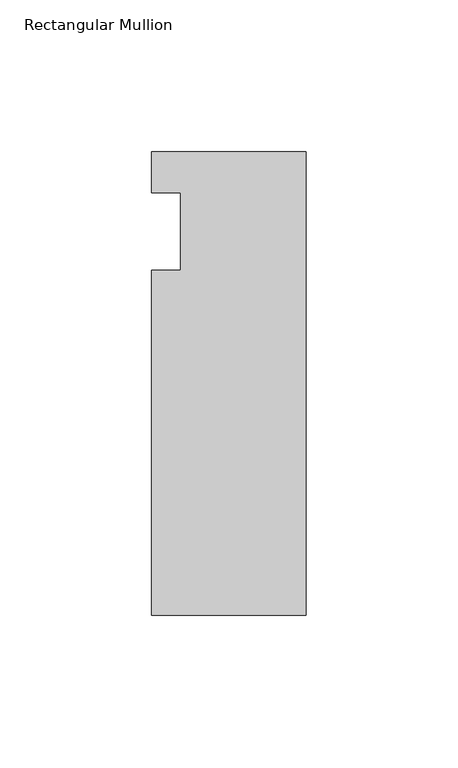
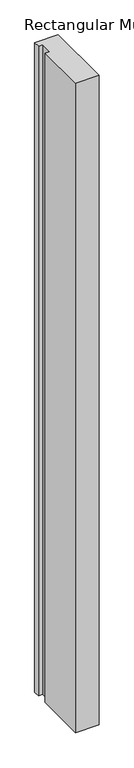
"""IFC4 building model written with IfcOpenShell, lengths in millimetres: member geometry, Rectangular Mullion."""

from ifc_helpers import new_model, si_unit, frame, origin, place, context, project, spatial, polyline, outline, extrude, source, transform, mapped, element, save


def rectangular_mullion_3f150472(model_context):
    return source(origin(), model_context, "Body", "SweptSolid", [
        extrude(outline(polyline([(-50.8, 26.19375), (0.0, 26.19375), (0.0, -126.20625), (-50.8, -126.20625), (-50.8, -12.7), (-41.275, -12.7), (-41.275, 12.7), (-50.8, 12.7), (-50.8, 26.19375)])), frame((0.0, 0.0, -1485.9), z_axis=(0.0, 0.0, 1.0), x_axis=(1.0, 0.0, 0.0)), (0.0, 0.0, 1.0), 1485.9),
    ])


if __name__ == "__main__":
    model = new_model("IFC4")
    model_context = context("Model", 3, world=origin())
    ifc_project = project(units=[si_unit("LENGTHUNIT", "METRE", prefix="MILLI")], contexts=[model_context])
    site = spatial("IfcSite", under=ifc_project)
    building = spatial("IfcBuilding", under=site)
    placement = place(None, origin())
    rectangular_mullion_shape = rectangular_mullion_3f150472(model_context)
    element("IfcMember", 1, ObjectType="Rectangular Mullion", at=placement, inside=building, context=model_context, shape_type="MappedRepresentation", body=[
        mapped(rectangular_mullion_shape, transform((0.0, 0.0, 0.0), x_axis=(1.0, 0.0, 0.0), y_axis=(0.0, 1.0, 0.0), z_axis=(0.0, 0.0, 1.0))),
    ])
    save(model, "model.ifc")
